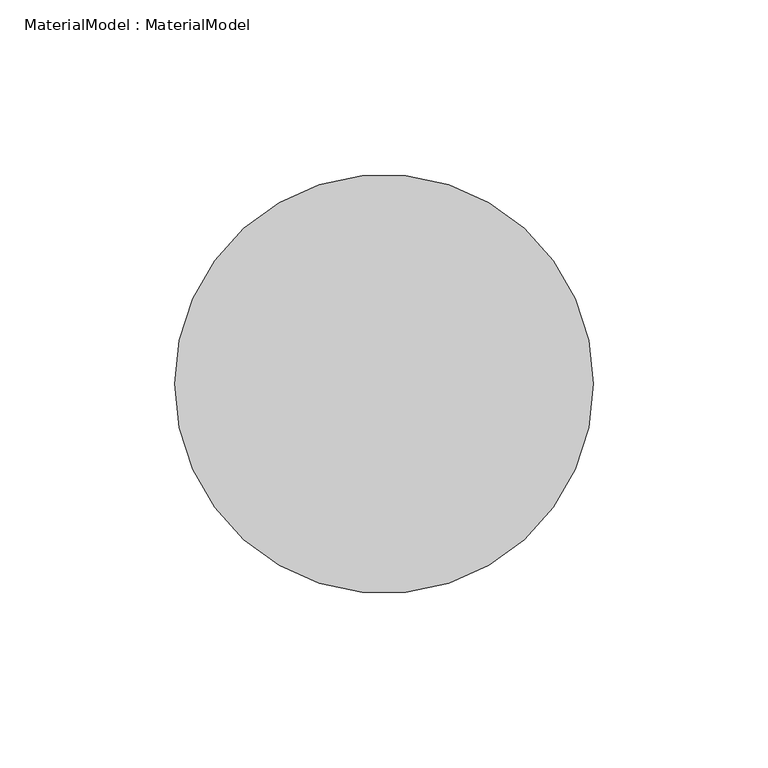
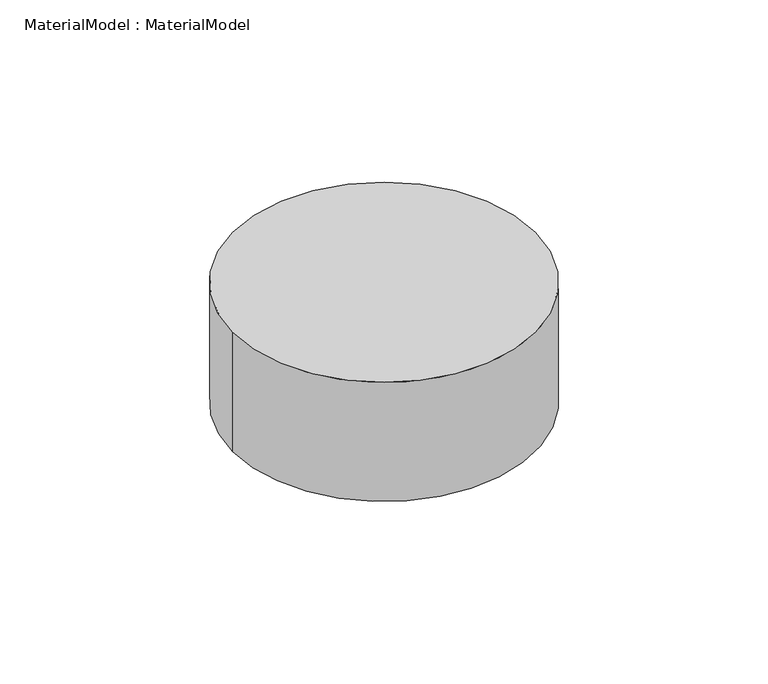
"""IFC4 building model written with IfcOpenShell, lengths in millimetres: proxy geometry, MaterialModel : MaterialModel."""

from ifc_helpers import new_model, si_unit, point, origin, origin_with_axes, origin_2d, place, context, project, spatial, circle_curve, trimmed, segment, composite_curve, outline, extrude, source, transform, mapped, element, save


def materialmodel_materialmodel_66f02381(model_context):
    return source(origin(), model_context, "Body", "SweptSolid", [
        extrude(outline(composite_curve([segment(trimmed(circle_curve(origin_2d(), 60.0), [point((-60.0, 0.0))], [point((60.0, 0.0))], False, "CARTESIAN"), True, "CONTINUOUS"), segment(trimmed(circle_curve(origin_2d(), 60.0), [point((60.0, 0.0))], [point((-60.0, 0.0))], False, "CARTESIAN"), True, "CONTINUOUS")], self_intersect=False)), origin_with_axes(), (0.0, 0.0, 1.0), 50.0),
    ])


if __name__ == "__main__":
    model = new_model("IFC4")
    model_context = context("Model", 3, world=origin())
    ifc_project = project(units=[si_unit("LENGTHUNIT", "METRE", prefix="MILLI")], contexts=[model_context])
    site = spatial("IfcSite", under=ifc_project)
    building = spatial("IfcBuilding", under=site)
    placement = place(None, origin())
    materialmodel_materialmodel_shape = materialmodel_materialmodel_66f02381(model_context)
    element("IfcBuildingElementProxy", 1, Name="MaterialModel : MaterialModel", ObjectType="MaterialModel : MaterialModel", at=placement, inside=building, context=model_context, shape_type="MappedRepresentation", body=[
        mapped(materialmodel_materialmodel_shape, transform((0.0, 0.0, 0.0), x_axis=(1.0, 0.0, 0.0), y_axis=(0.0, 1.0, 0.0), z_axis=(0.0, 0.0, 1.0))),
    ])
    save(model, "model.ifc")
